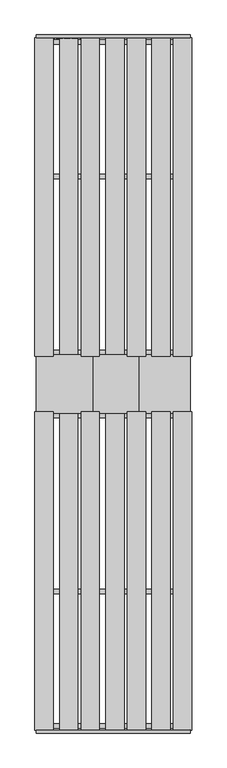
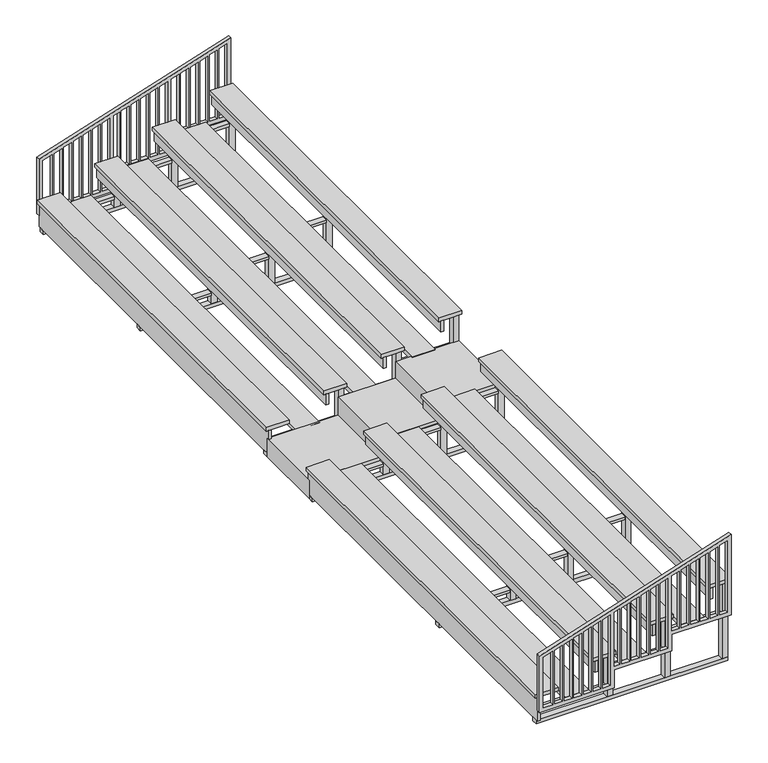
"""IFC4 building model written with IfcOpenShell, lengths in millimetres: furniture geometry."""

from ifc_helpers import new_model, si_unit, frame, origin, origin_with_axes, place, context, project, spatial, polyline, outline, extrude, source, transform, mapped, element, save


def furniture_b8681b0d(model_context):
    return source(origin(), model_context, "Body", "SweptSolid", [
        extrude(outline(polyline([(995.3625, 25.4), (203.2, 25.4), (203.2, 1016.0), (457.2, 1016.0), (457.2, 1778.0), (685.8, 1778.0), (685.8, 2565.4), (1810.2791667, 2565.4), (995.3625, 25.4)]), holes=[polyline([(1708.0336684, 2413.0), (1740.630335, 2514.6), (736.6, 2514.6), (736.6, 2413.0), (1708.0336684, 2413.0)]), polyline([(736.6, 1879.6), (736.6, 1778.0), (1504.3045017, 1778.0), (1536.9011684, 1879.6), (736.6, 1879.6)]), polyline([(958.310335, 76.2), (999.0561684, 203.2), (254.0, 203.2), (254.0, 76.2), (958.310335, 76.2)]), polyline([(1243.5311684, 965.2), (254.0, 965.2), (254.0, 863.6), (1210.9345017, 863.6), (1243.5311684, 965.2)]), polyline([(508.0, 1092.2), (508.0, 1016.0), (1259.8295017, 1016.0), (1284.2770017, 1092.2), (508.0, 1092.2)]), polyline([(1488.0061684, 1727.2), (508.0, 1727.2), (508.0, 1625.6), (1455.4095017, 1625.6), (1488.0061684, 1727.2)]), polyline([(1202.785335, 838.2), (254.0, 838.2), (254.0, 736.6), (1170.1886684, 736.6), (1202.785335, 838.2)]), polyline([(1162.0395017, 711.2), (254.0, 711.2), (254.0, 609.6), (1129.442835, 609.6), (1162.0395017, 711.2)]), polyline([(1121.2936684, 584.2), (254.0, 584.2), (254.0, 482.6), (1088.6970017, 482.6), (1121.2936684, 584.2)]), polyline([(1080.547835, 457.2), (254.0, 457.2), (254.0, 355.6), (1047.9511684, 355.6), (1080.547835, 457.2)]), polyline([(1039.8020017, 330.2), (254.0, 330.2), (254.0, 228.6), (1007.205335, 228.6), (1039.8020017, 330.2)]), polyline([(1447.260335, 1600.2), (508.0, 1600.2), (508.0, 1498.6), (1414.6636684, 1498.6), (1447.260335, 1600.2)]), polyline([(1406.5145017, 1473.2), (508.0, 1473.2), (508.0, 1371.6), (1373.917835, 1371.6), (1406.5145017, 1473.2)]), polyline([(1365.7686684, 1346.2), (508.0, 1346.2), (508.0, 1244.6), (1333.1720017, 1244.6), (1365.7686684, 1346.2)]), polyline([(1325.022835, 1219.2), (508.0, 1219.2), (508.0, 1117.6), (1292.4261684, 1117.6), (1325.022835, 1219.2)]), polyline([(1699.8845017, 2387.6), (736.6, 2387.6), (736.6, 2286.0), (1667.287835, 2286.0), (1699.8845017, 2387.6)]), polyline([(1659.1386684, 2260.6), (736.6, 2260.6), (736.6, 2159.0), (1626.5420017, 2159.0), (1659.1386684, 2260.6)]), polyline([(1618.392835, 2133.6), (736.6, 2133.6), (736.6, 2032.0), (1585.7961684, 2032.0), (1618.392835, 2133.6)]), polyline([(1577.6470017, 2006.6), (736.6, 2006.6), (736.6, 1905.0), (1545.050335, 1905.0), (1577.6470017, 2006.6)])]), frame((0.0, 11430.0, 0.0), z_axis=(0.0, 1.0, 0.0), x_axis=(0.0, 0.0, 1.0)), (0.0, 0.0, 1.0), 50.8),
        extrude(outline(polyline([(995.3625, 25.4), (203.2, 25.4), (203.2, 1016.0), (457.2, 1016.0), (457.2, 1778.0), (685.8, 1778.0), (685.8, 2565.4), (1810.2791667, 2565.4), (995.3625, 25.4)]), holes=[polyline([(1708.0336684, 2413.0), (1740.630335, 2514.6), (736.6, 2514.6), (736.6, 2413.0), (1708.0336684, 2413.0)]), polyline([(736.6, 1879.6), (736.6, 1778.0), (1504.3045017, 1778.0), (1536.9011684, 1879.6), (736.6, 1879.6)]), polyline([(958.310335, 76.2), (999.0561684, 203.2), (254.0, 203.2), (254.0, 76.2), (958.310335, 76.2)]), polyline([(1243.5311684, 965.2), (254.0, 965.2), (254.0, 863.6), (1210.9345017, 863.6), (1243.5311684, 965.2)]), polyline([(508.0, 1092.2), (508.0, 1016.0), (1259.8295017, 1016.0), (1284.2770017, 1092.2), (508.0, 1092.2)]), polyline([(1488.0061684, 1727.2), (508.0, 1727.2), (508.0, 1625.6), (1455.4095017, 1625.6), (1488.0061684, 1727.2)]), polyline([(1202.785335, 838.2), (254.0, 838.2), (254.0, 736.6), (1170.1886684, 736.6), (1202.785335, 838.2)]), polyline([(1162.0395017, 711.2), (254.0, 711.2), (254.0, 609.6), (1129.442835, 609.6), (1162.0395017, 711.2)]), polyline([(1121.2936684, 584.2), (254.0, 584.2), (254.0, 482.6), (1088.6970017, 482.6), (1121.2936684, 584.2)]), polyline([(1080.547835, 457.2), (254.0, 457.2), (254.0, 355.6), (1047.9511684, 355.6), (1080.547835, 457.2)]), polyline([(1039.8020017, 330.2), (254.0, 330.2), (254.0, 228.6), (1007.205335, 228.6), (1039.8020017, 330.2)]), polyline([(1447.260335, 1600.2), (508.0, 1600.2), (508.0, 1498.6), (1414.6636684, 1498.6), (1447.260335, 1600.2)]), polyline([(1406.5145017, 1473.2), (508.0, 1473.2), (508.0, 1371.6), (1373.917835, 1371.6), (1406.5145017, 1473.2)]), polyline([(1365.7686684, 1346.2), (508.0, 1346.2), (508.0, 1244.6), (1333.1720017, 1244.6), (1365.7686684, 1346.2)]), polyline([(1325.022835, 1219.2), (508.0, 1219.2), (508.0, 1117.6), (1292.4261684, 1117.6), (1325.022835, 1219.2)]), polyline([(1699.8845017, 2387.6), (736.6, 2387.6), (736.6, 2286.0), (1667.287835, 2286.0), (1699.8845017, 2387.6)]), polyline([(1659.1386684, 2260.6), (736.6, 2260.6), (736.6, 2159.0), (1626.5420017, 2159.0), (1659.1386684, 2260.6)]), polyline([(1618.392835, 2133.6), (736.6, 2133.6), (736.6, 2032.0), (1585.7961684, 2032.0), (1618.392835, 2133.6)]), polyline([(1577.6470017, 2006.6), (736.6, 2006.6), (736.6, 1905.0), (1545.050335, 1905.0), (1577.6470017, 2006.6)])]), frame((0.0, -50.8, 0.0), z_axis=(0.0, 1.0, 0.0), x_axis=(0.0, 0.0, 1.0)), (0.0, 0.0, 1.0), 50.8),
        extrude(outline(polyline([(254.0, 25.4), (0.0, 25.4), (0.0, 76.2), (203.2, 76.2), (203.2, 1016.0), (457.2, 1016.0), (457.2, 1778.0), (685.8, 1778.0), (685.8, 2565.4), (736.6, 2565.4), (736.6, 1727.2), (508.0, 1727.2), (508.0, 965.2), (254.0, 965.2), (254.0, 25.4)])), frame((0.0, 5232.4, 0.0), z_axis=(0.0, 1.0, 0.0), x_axis=(0.0, 0.0, 1.0)), (0.0, 0.0, 1.0), 965.2),
        extrude(outline(polyline([(2489.2, 6197.6), (1803.4, 6197.6), (1803.4, 6273.8), (2489.2, 6273.8), (2489.2, 6197.6)])), frame((0.0, 0.0, 654.05), z_axis=(0.0, 0.0, 1.0), x_axis=(1.0, 0.0, 0.0)), (0.0, 0.0, 1.0), 38.1),
        extrude(outline(polyline([(1727.2, 6197.6), (1041.4, 6197.6), (1041.4, 6273.8), (1727.2, 6273.8), (1727.2, 6197.6)])), frame((0.0, 0.0, 409.575), z_axis=(0.0, 0.0, 1.0), x_axis=(1.0, 0.0, 0.0)), (0.0, 0.0, 1.0), 38.1),
        extrude(outline(polyline([(965.2, 6197.6), (63.5, 6197.6), (63.5, 6273.8), (965.2, 6273.8), (965.2, 6197.6)])), frame((0.0, 0.0, 165.1), z_axis=(0.0, 0.0, 1.0), x_axis=(1.0, 0.0, 0.0)), (0.0, 0.0, 1.0), 38.1),
        extrude(outline(polyline([(965.2, 6197.6), (965.2, 6273.8), (1041.4, 6273.8), (1041.4, 6197.6), (965.2, 6197.6)])), frame((0.0, 0.0, 50.8), z_axis=(0.0, 0.0, 1.0), x_axis=(1.0, 0.0, 0.0)), (0.0, 0.0, 1.0), 574.675),
        extrude(outline(polyline([(1727.2, 6197.6), (1727.2, 6273.8), (1803.4, 6273.8), (1803.4, 6197.6), (1727.2, 6197.6)])), frame((0.0, 0.0, 50.8), z_axis=(0.0, 0.0, 1.0), x_axis=(1.0, 0.0, 0.0)), (0.0, 0.0, 1.0), 819.15),
        extrude(outline(polyline([(2489.2, 6197.6), (2489.2, 6273.8), (2565.4, 6273.8), (2565.4, 6197.6), (2489.2, 6197.6)])), frame((0.0, 0.0, 50.8), z_axis=(0.0, 0.0, 1.0), x_axis=(1.0, 0.0, 0.0)), (0.0, 0.0, 1.0), 1063.625),
        extrude(outline(polyline([(2565.4, 6273.8), (2565.4, 6197.6), (25.4, 6197.6), (25.4, 6273.8), (2565.4, 6273.8)])), origin_with_axes(), (0.0, 0.0, 1.0), 50.8),
        extrude(outline(polyline([(2489.2, 9105.9), (1803.4, 9105.9), (1803.4, 9182.1), (2489.2, 9182.1), (2489.2, 9105.9)])), frame((0.0, 0.0, 654.05), z_axis=(0.0, 0.0, 1.0), x_axis=(1.0, 0.0, 0.0)), (0.0, 0.0, 1.0), 38.1),
        extrude(outline(polyline([(1727.2, 9105.9), (1041.4, 9105.9), (1041.4, 9182.1), (1727.2, 9182.1), (1727.2, 9105.9)])), frame((0.0, 0.0, 409.575), z_axis=(0.0, 0.0, 1.0), x_axis=(1.0, 0.0, 0.0)), (0.0, 0.0, 1.0), 38.1),
        extrude(outline(polyline([(965.2, 9105.9), (63.5, 9105.9), (63.5, 9182.1), (965.2, 9182.1), (965.2, 9105.9)])), frame((0.0, 0.0, 165.1), z_axis=(0.0, 0.0, 1.0), x_axis=(1.0, 0.0, 0.0)), (0.0, 0.0, 1.0), 38.1),
        extrude(outline(polyline([(965.2, 9105.9), (965.2, 9182.1), (1041.4, 9182.1), (1041.4, 9105.9), (965.2, 9105.9)])), frame((0.0, 0.0, 50.8), z_axis=(0.0, 0.0, 1.0), x_axis=(1.0, 0.0, 0.0)), (0.0, 0.0, 1.0), 574.675),
        extrude(outline(polyline([(1727.2, 9105.9), (1727.2, 9182.1), (1803.4, 9182.1), (1803.4, 9105.9), (1727.2, 9105.9)])), frame((0.0, 0.0, 50.8), z_axis=(0.0, 0.0, 1.0), x_axis=(1.0, 0.0, 0.0)), (0.0, 0.0, 1.0), 819.15),
        extrude(outline(polyline([(2489.2, 9105.9), (2489.2, 9182.1), (2565.4, 9182.1), (2565.4, 9105.9), (2489.2, 9105.9)])), frame((0.0, 0.0, 50.8), z_axis=(0.0, 0.0, 1.0), x_axis=(1.0, 0.0, 0.0)), (0.0, 0.0, 1.0), 1063.625),
        extrude(outline(polyline([(2565.4, 9182.1), (2565.4, 9105.9), (25.4, 9105.9), (25.4, 9182.1), (2565.4, 9182.1)])), origin_with_axes(), (0.0, 0.0, 1.0), 50.8),
        extrude(outline(polyline([(2489.2, 11328.4), (1803.4, 11328.4), (1803.4, 11404.6), (2489.2, 11404.6), (2489.2, 11328.4)])), frame((0.0, 0.0, 654.05), z_axis=(0.0, 0.0, 1.0), x_axis=(1.0, 0.0, 0.0)), (0.0, 0.0, 1.0), 38.1),
        extrude(outline(polyline([(1727.2, 11328.4), (1041.4, 11328.4), (1041.4, 11404.6), (1727.2, 11404.6), (1727.2, 11328.4)])), frame((0.0, 0.0, 409.575), z_axis=(0.0, 0.0, 1.0), x_axis=(1.0, 0.0, 0.0)), (0.0, 0.0, 1.0), 38.1),
        extrude(outline(polyline([(965.2, 11328.4), (63.5, 11328.4), (63.5, 11404.6), (965.2, 11404.6), (965.2, 11328.4)])), frame((0.0, 0.0, 165.1), z_axis=(0.0, 0.0, 1.0), x_axis=(1.0, 0.0, 0.0)), (0.0, 0.0, 1.0), 38.1),
        extrude(outline(polyline([(965.2, 11328.4), (965.2, 11404.6), (1041.4, 11404.6), (1041.4, 11328.4), (965.2, 11328.4)])), frame((0.0, 0.0, 50.8), z_axis=(0.0, 0.0, 1.0), x_axis=(1.0, 0.0, 0.0)), (0.0, 0.0, 1.0), 574.675),
        extrude(outline(polyline([(1727.2, 11328.4), (1727.2, 11404.6), (1803.4, 11404.6), (1803.4, 11328.4), (1727.2, 11328.4)])), frame((0.0, 0.0, 50.8), z_axis=(0.0, 0.0, 1.0), x_axis=(1.0, 0.0, 0.0)), (0.0, 0.0, 1.0), 819.15),
        extrude(outline(polyline([(2489.2, 11328.4), (2489.2, 11404.6), (2565.4, 11404.6), (2565.4, 11328.4), (2489.2, 11328.4)])), frame((0.0, 0.0, 50.8), z_axis=(0.0, 0.0, 1.0), x_axis=(1.0, 0.0, 0.0)), (0.0, 0.0, 1.0), 1063.625),
        extrude(outline(polyline([(2565.4, 11404.6), (2565.4, 11328.4), (25.4, 11328.4), (25.4, 11404.6), (2565.4, 11404.6)])), origin_with_axes(), (0.0, 0.0, 1.0), 50.8),
        extrude(outline(polyline([(2235.2, 11430.0), (2235.2, 6172.2), (1930.4, 6172.2), (1930.4, 11430.0), (2235.2, 11430.0)])), frame((0.0, 0.0, 692.15), z_axis=(0.0, 0.0, 1.0), x_axis=(1.0, 0.0, 0.0)), (0.0, 0.0, 1.0), 50.8),
        extrude(outline(polyline([(1473.2, 11430.0), (1473.2, 6172.2), (1168.4, 6172.2), (1168.4, 11430.0), (1473.2, 11430.0)])), frame((0.0, 0.0, 447.675), z_axis=(0.0, 0.0, 1.0), x_axis=(1.0, 0.0, 0.0)), (0.0, 0.0, 1.0), 50.8),
        extrude(outline(polyline([(711.2, 11430.0), (711.2, 6172.2), (406.4, 6172.2), (406.4, 11430.0), (711.2, 11430.0)])), frame((0.0, 0.0, 203.2), z_axis=(0.0, 0.0, 1.0), x_axis=(1.0, 0.0, 0.0)), (0.0, 0.0, 1.0), 50.8),
        extrude(outline(polyline([(2349.5, 6172.2), (2311.4, 6172.2), (2311.4, 11430.0), (2349.5, 11430.0), (2349.5, 6172.2)])), frame((0.0, 0.0, 962.025), z_axis=(0.0, 0.0, 1.0), x_axis=(1.0, 0.0, 0.0)), (0.0, 0.0, 1.0), 152.4),
        extrude(outline(polyline([(1587.5, 6172.2), (1549.4, 6172.2), (1549.4, 11430.0), (1587.5, 11430.0), (1587.5, 6172.2)])), frame((0.0, 0.0, 717.55), z_axis=(0.0, 0.0, 1.0), x_axis=(1.0, 0.0, 0.0)), (0.0, 0.0, 1.0), 152.4),
        extrude(outline(polyline([(825.5, 6172.2), (787.4, 6172.2), (787.4, 11430.0), (825.5, 11430.0), (825.5, 6172.2)])), frame((0.0, 0.0, 473.075), z_axis=(0.0, 0.0, 1.0), x_axis=(1.0, 0.0, 0.0)), (0.0, 0.0, 1.0), 152.4),
        extrude(outline(polyline([(63.5, 6172.2), (25.4, 6172.2), (25.4, 11430.0), (63.5, 11430.0), (63.5, 6172.2)])), frame((0.0, 0.0, 50.8), z_axis=(0.0, 0.0, 1.0), x_axis=(1.0, 0.0, 0.0)), (0.0, 0.0, 1.0), 330.2),
        extrude(outline(polyline([(2590.8, 11430.0), (2590.8, 6172.2), (2286.0, 6172.2), (2286.0, 11430.0), (2590.8, 11430.0)])), frame((0.0, 0.0, 1114.425), z_axis=(0.0, 0.0, 1.0), x_axis=(1.0, 0.0, 0.0)), (0.0, 0.0, 1.0), 50.8),
        extrude(outline(polyline([(1828.8, 11430.0), (1828.8, 6172.2), (1524.0, 6172.2), (1524.0, 11430.0), (1828.8, 11430.0)])), frame((0.0, 0.0, 869.95), z_axis=(0.0, 0.0, 1.0), x_axis=(1.0, 0.0, 0.0)), (0.0, 0.0, 1.0), 50.8),
        extrude(outline(polyline([(1066.8, 11430.0), (1066.8, 6172.2), (762.0, 6172.2), (762.0, 11430.0), (1066.8, 11430.0)])), frame((0.0, 0.0, 625.475), z_axis=(0.0, 0.0, 1.0), x_axis=(1.0, 0.0, 0.0)), (0.0, 0.0, 1.0), 50.8),
        extrude(outline(polyline([(304.8, 11430.0), (304.8, 6172.2), (0.0, 6172.2), (0.0, 11430.0), (304.8, 11430.0)])), frame((0.0, 0.0, 381.0), z_axis=(0.0, 0.0, 1.0), x_axis=(1.0, 0.0, 0.0)), (0.0, 0.0, 1.0), 50.8),
        extrude(outline(polyline([(2489.2, 5232.4), (2489.2, 5156.2), (1803.4, 5156.2), (1803.4, 5232.4), (2489.2, 5232.4)])), frame((0.0, 0.0, 654.05), z_axis=(0.0, 0.0, 1.0), x_axis=(1.0, 0.0, 0.0)), (0.0, 0.0, 1.0), 38.1),
        extrude(outline(polyline([(1727.2, 5232.4), (1727.2, 5156.2), (1041.4, 5156.2), (1041.4, 5232.4), (1727.2, 5232.4)])), frame((0.0, 0.0, 409.575), z_axis=(0.0, 0.0, 1.0), x_axis=(1.0, 0.0, 0.0)), (0.0, 0.0, 1.0), 38.1),
        extrude(outline(polyline([(965.2, 5232.4), (965.2, 5156.2), (63.5, 5156.2), (63.5, 5232.4), (965.2, 5232.4)])), frame((0.0, 0.0, 165.1), z_axis=(0.0, 0.0, 1.0), x_axis=(1.0, 0.0, 0.0)), (0.0, 0.0, 1.0), 38.1),
        extrude(outline(polyline([(965.2, 5232.4), (1041.4, 5232.4), (1041.4, 5156.2), (965.2, 5156.2), (965.2, 5232.4)])), frame((0.0, 0.0, 50.8), z_axis=(0.0, 0.0, 1.0), x_axis=(1.0, 0.0, 0.0)), (0.0, 0.0, 1.0), 574.675),
        extrude(outline(polyline([(1727.2, 5232.4), (1803.4, 5232.4), (1803.4, 5156.2), (1727.2, 5156.2), (1727.2, 5232.4)])), frame((0.0, 0.0, 50.8), z_axis=(0.0, 0.0, 1.0), x_axis=(1.0, 0.0, 0.0)), (0.0, 0.0, 1.0), 819.15),
        extrude(outline(polyline([(2489.2, 5232.4), (2565.4, 5232.4), (2565.4, 5156.2), (2489.2, 5156.2), (2489.2, 5232.4)])), frame((0.0, 0.0, 50.8), z_axis=(0.0, 0.0, 1.0), x_axis=(1.0, 0.0, 0.0)), (0.0, 0.0, 1.0), 1063.625),
        extrude(outline(polyline([(2565.4, 5156.2), (25.4, 5156.2), (25.4, 5232.4), (2565.4, 5232.4), (2565.4, 5156.2)])), origin_with_axes(), (0.0, 0.0, 1.0), 50.8),
        extrude(outline(polyline([(2489.2, 2324.1), (2489.2, 2247.9), (1803.4, 2247.9), (1803.4, 2324.1), (2489.2, 2324.1)])), frame((0.0, 0.0, 654.05), z_axis=(0.0, 0.0, 1.0), x_axis=(1.0, 0.0, 0.0)), (0.0, 0.0, 1.0), 38.1),
        extrude(outline(polyline([(1727.2, 2324.1), (1727.2, 2247.9), (1041.4, 2247.9), (1041.4, 2324.1), (1727.2, 2324.1)])), frame((0.0, 0.0, 409.575), z_axis=(0.0, 0.0, 1.0), x_axis=(1.0, 0.0, 0.0)), (0.0, 0.0, 1.0), 38.1),
        extrude(outline(polyline([(965.2, 2324.1), (965.2, 2247.9), (63.5, 2247.9), (63.5, 2324.1), (965.2, 2324.1)])), frame((0.0, 0.0, 165.1), z_axis=(0.0, 0.0, 1.0), x_axis=(1.0, 0.0, 0.0)), (0.0, 0.0, 1.0), 38.1),
        extrude(outline(polyline([(965.2, 2324.1), (1041.4, 2324.1), (1041.4, 2247.9), (965.2, 2247.9), (965.2, 2324.1)])), frame((0.0, 0.0, 50.8), z_axis=(0.0, 0.0, 1.0), x_axis=(1.0, 0.0, 0.0)), (0.0, 0.0, 1.0), 574.675),
        extrude(outline(polyline([(1727.2, 2324.1), (1803.4, 2324.1), (1803.4, 2247.9), (1727.2, 2247.9), (1727.2, 2324.1)])), frame((0.0, 0.0, 50.8), z_axis=(0.0, 0.0, 1.0), x_axis=(1.0, 0.0, 0.0)), (0.0, 0.0, 1.0), 819.15),
        extrude(outline(polyline([(2489.2, 2324.1), (2565.4, 2324.1), (2565.4, 2247.9), (2489.2, 2247.9), (2489.2, 2324.1)])), frame((0.0, 0.0, 50.8), z_axis=(0.0, 0.0, 1.0), x_axis=(1.0, 0.0, 0.0)), (0.0, 0.0, 1.0), 1063.625),
        extrude(outline(polyline([(2565.4, 2247.9), (25.4, 2247.9), (25.4, 2324.1), (2565.4, 2324.1), (2565.4, 2247.9)])), origin_with_axes(), (0.0, 0.0, 1.0), 50.8),
        extrude(outline(polyline([(2489.2, 101.6), (2489.2, 25.4), (1803.4, 25.4), (1803.4, 101.6), (2489.2, 101.6)])), frame((0.0, 0.0, 654.05), z_axis=(0.0, 0.0, 1.0), x_axis=(1.0, 0.0, 0.0)), (0.0, 0.0, 1.0), 38.1),
        extrude(outline(polyline([(1727.2, 101.6), (1727.2, 25.4), (1041.4, 25.4), (1041.4, 101.6), (1727.2, 101.6)])), frame((0.0, 0.0, 409.575), z_axis=(0.0, 0.0, 1.0), x_axis=(1.0, 0.0, 0.0)), (0.0, 0.0, 1.0), 38.1),
        extrude(outline(polyline([(965.2, 101.6), (965.2, 25.4), (63.5, 25.4), (63.5, 101.6), (965.2, 101.6)])), frame((0.0, 0.0, 165.1), z_axis=(0.0, 0.0, 1.0), x_axis=(1.0, 0.0, 0.0)), (0.0, 0.0, 1.0), 38.1),
        extrude(outline(polyline([(965.2, 101.6), (1041.4, 101.6), (1041.4, 25.4), (965.2, 25.4), (965.2, 101.6)])), frame((0.0, 0.0, 50.8), z_axis=(0.0, 0.0, 1.0), x_axis=(1.0, 0.0, 0.0)), (0.0, 0.0, 1.0), 574.675),
        extrude(outline(polyline([(1727.2, 101.6), (1803.4, 101.6), (1803.4, 25.4), (1727.2, 25.4), (1727.2, 101.6)])), frame((0.0, 0.0, 50.8), z_axis=(0.0, 0.0, 1.0), x_axis=(1.0, 0.0, 0.0)), (0.0, 0.0, 1.0), 819.15),
        extrude(outline(polyline([(2489.2, 101.6), (2565.4, 101.6), (2565.4, 25.4), (2489.2, 25.4), (2489.2, 101.6)])), frame((0.0, 0.0, 50.8), z_axis=(0.0, 0.0, 1.0), x_axis=(1.0, 0.0, 0.0)), (0.0, 0.0, 1.0), 1063.625),
        extrude(outline(polyline([(2565.4, 25.4), (25.4, 25.4), (25.4, 101.6), (2565.4, 101.6), (2565.4, 25.4)])), origin_with_axes(), (0.0, 0.0, 1.0), 50.8),
        extrude(outline(polyline([(2235.2, 0.0), (1930.4, 0.0), (1930.4, 5257.8), (2235.2, 5257.8), (2235.2, 0.0)])), frame((0.0, 0.0, 692.15), z_axis=(0.0, 0.0, 1.0), x_axis=(1.0, 0.0, 0.0)), (0.0, 0.0, 1.0), 50.8),
        extrude(outline(polyline([(1473.2, 0.0), (1168.4, 0.0), (1168.4, 5257.8), (1473.2, 5257.8), (1473.2, 0.0)])), frame((0.0, 0.0, 447.675), z_axis=(0.0, 0.0, 1.0), x_axis=(1.0, 0.0, 0.0)), (0.0, 0.0, 1.0), 50.8),
        extrude(outline(polyline([(711.2, 0.0), (406.4, 0.0), (406.4, 5257.8), (711.2, 5257.8), (711.2, 0.0)])), frame((0.0, 0.0, 203.2), z_axis=(0.0, 0.0, 1.0), x_axis=(1.0, 0.0, 0.0)), (0.0, 0.0, 1.0), 50.8),
        extrude(outline(polyline([(2349.5, 5257.8), (2349.5, 0.0), (2311.4, 0.0), (2311.4, 5257.8), (2349.5, 5257.8)])), frame((0.0, 0.0, 962.025), z_axis=(0.0, 0.0, 1.0), x_axis=(1.0, 0.0, 0.0)), (0.0, 0.0, 1.0), 152.4),
        extrude(outline(polyline([(1587.5, 5257.8), (1587.5, 0.0), (1549.4, 0.0), (1549.4, 5257.8), (1587.5, 5257.8)])), frame((0.0, 0.0, 717.55), z_axis=(0.0, 0.0, 1.0), x_axis=(1.0, 0.0, 0.0)), (0.0, 0.0, 1.0), 152.4),
        extrude(outline(polyline([(825.5, 5257.8), (825.5, 0.0), (787.4, 0.0), (787.4, 5257.8), (825.5, 5257.8)])), frame((0.0, 0.0, 473.075), z_axis=(0.0, 0.0, 1.0), x_axis=(1.0, 0.0, 0.0)), (0.0, 0.0, 1.0), 152.4),
        extrude(outline(polyline([(63.5, 5257.8), (63.5, 0.0), (25.4, 0.0), (25.4, 5257.8), (63.5, 5257.8)])), frame((0.0, 0.0, 50.8), z_axis=(0.0, 0.0, 1.0), x_axis=(1.0, 0.0, 0.0)), (0.0, 0.0, 1.0), 330.2),
        extrude(outline(polyline([(2590.8, 0.0), (2286.0, 0.0), (2286.0, 5257.8), (2590.8, 5257.8), (2590.8, 0.0)])), frame((0.0, 0.0, 1114.425), z_axis=(0.0, 0.0, 1.0), x_axis=(1.0, 0.0, 0.0)), (0.0, 0.0, 1.0), 50.8),
        extrude(outline(polyline([(1828.8, 0.0), (1524.0, 0.0), (1524.0, 5257.8), (1828.8, 5257.8), (1828.8, 0.0)])), frame((0.0, 0.0, 869.95), z_axis=(0.0, 0.0, 1.0), x_axis=(1.0, 0.0, 0.0)), (0.0, 0.0, 1.0), 50.8),
        extrude(outline(polyline([(1066.8, 0.0), (762.0, 0.0), (762.0, 5257.8), (1066.8, 5257.8), (1066.8, 0.0)])), frame((0.0, 0.0, 625.475), z_axis=(0.0, 0.0, 1.0), x_axis=(1.0, 0.0, 0.0)), (0.0, 0.0, 1.0), 50.8),
        extrude(outline(polyline([(304.8, 0.0), (0.0, 0.0), (0.0, 5257.8), (304.8, 5257.8), (304.8, 0.0)])), frame((0.0, 0.0, 381.0), z_axis=(0.0, 0.0, 1.0), x_axis=(1.0, 0.0, 0.0)), (0.0, 0.0, 1.0), 50.8),
    ])


if __name__ == "__main__":
    model = new_model("IFC4")
    model_context = context("Model", 3, world=origin())
    ifc_project = project(units=[si_unit("LENGTHUNIT", "METRE", prefix="MILLI")], contexts=[model_context])
    site = spatial("IfcSite", under=ifc_project)
    building = spatial("IfcBuilding", under=site)
    placement = place(None, origin())
    furniture_shape = furniture_b8681b0d(model_context)
    element("IfcFurniture", 1, at=placement, inside=building, context=model_context, shape_type="MappedRepresentation", body=[
        mapped(furniture_shape, transform((0.0, 0.0, 0.0), x_axis=(1.0, 0.0, 0.0), y_axis=(0.0, 1.0, 0.0), z_axis=(0.0, 0.0, 1.0))),
    ])
    save(model, "model.ifc")
